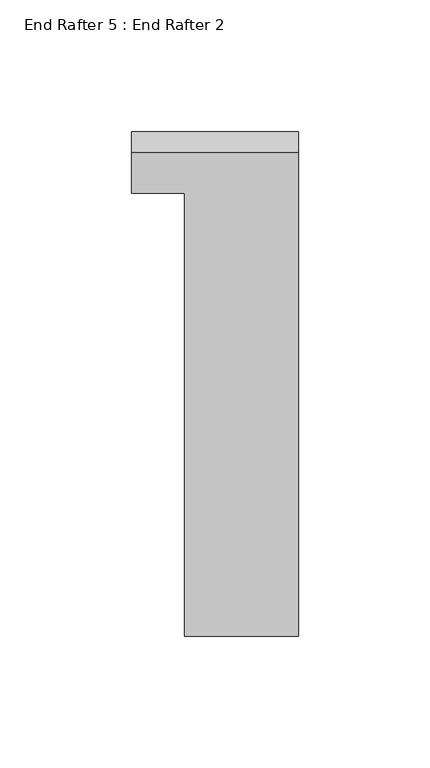
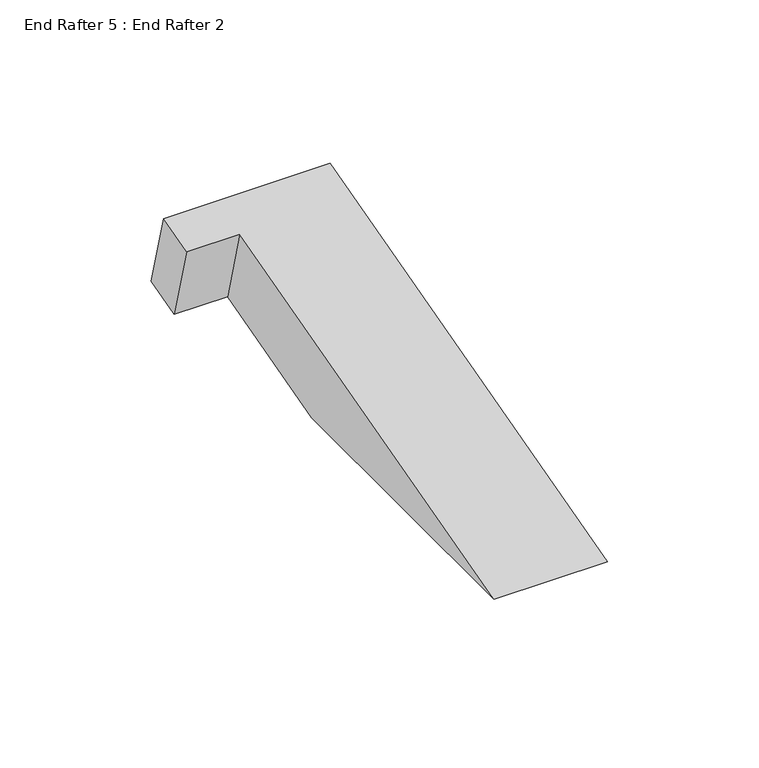
"""IFC4 building model written with IfcOpenShell, lengths in millimetres: proxy geometry, End Rafter 5 : End Rafter 2."""

from ifc_helpers import new_model, si_unit, origin, place, context, project, spatial, faceted_brep, source, transform, mapped, element, save


def end_rafter_5_end_rafter_2_85899eb1(model_context):
    return source(origin(), model_context, "Body", "Brep", [
        faceted_brep([(-370.2645484, 10033.1862918, 1000.7487122), (-370.2645484, 10017.8844209, 996.6485883), (-350.039045, 10017.8844209, 996.6485883), (-350.039045, 9849.5760054, 951.5504842), (-306.7645484, 9849.5760054, 951.5504842), (-306.7645484, 10033.1862918, 1000.7487122), (-350.039045, 10025.9681163, 966.4798263), (-370.2645484, 10025.9681163, 966.4798263), (-370.2645484, 10041.2699872, 970.5799503), (-306.7645484, 10041.2699872, 970.5799503), (-306.7645484, 9970.2705289, 951.5557028), (-350.039045, 9970.2705289, 951.5557028)], [[[0, 1, 2, 3, 4, 5]], [[6, 7, 8, 9, 10, 11]], [[0, 5, 9, 8]], [[1, 0, 8, 7]], [[2, 1, 7, 6]], [[5, 4, 10, 9]], [[11, 3, 2, 6]], [[10, 4, 3, 11]]]),
    ])


if __name__ == "__main__":
    model = new_model("IFC4")
    model_context = context("Model", 3, world=origin())
    ifc_project = project(units=[si_unit("LENGTHUNIT", "METRE", prefix="MILLI")], contexts=[model_context])
    site = spatial("IfcSite", under=ifc_project)
    building = spatial("IfcBuilding", under=site)
    placement = place(None, origin())
    end_rafter_5_end_rafter_2_shape = end_rafter_5_end_rafter_2_85899eb1(model_context)
    element("IfcBuildingElementProxy", 1, Name="End Rafter 5 : End Rafter 2", ObjectType="End Rafter 5 : End Rafter 2", at=placement, inside=building, context=model_context, shape_type="MappedRepresentation", body=[
        mapped(end_rafter_5_end_rafter_2_shape, transform((0.0, 0.0, 0.0), x_axis=(1.0, 0.0, 0.0), y_axis=(0.0, 1.0, 0.0), z_axis=(0.0, 0.0, 1.0))),
    ])
    save(model, "model.ifc")
